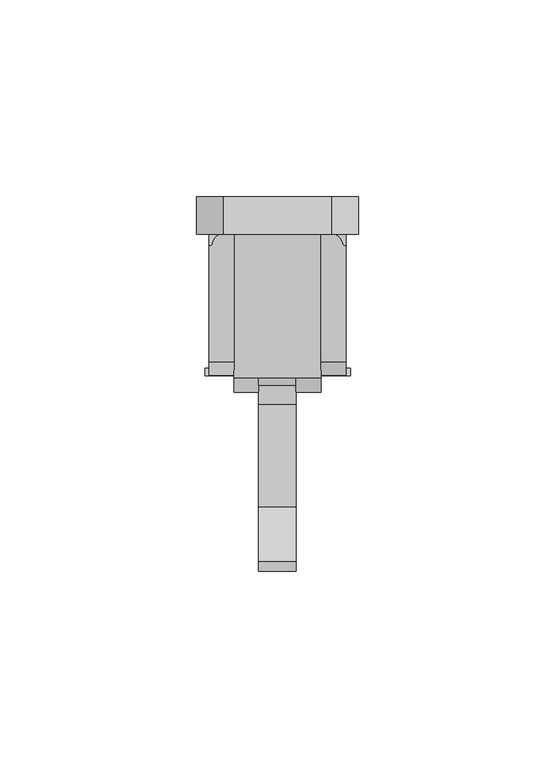
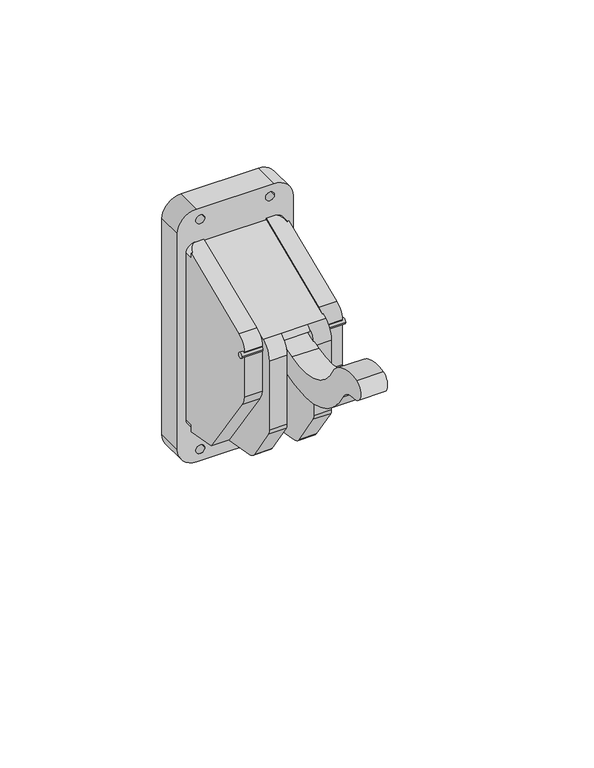
"""IFC4 building model written with IfcOpenShell, lengths in millimetres: proxy geometry."""

from ifc_helpers import new_model, si_unit, point, frame, frame_2d, origin, place, context, project, spatial, polyline, circle_curve, ellipse_curve, trimmed, segment, composite_curve, outline, extrude, source, transform, mapped, element, save
from ifc_brep_helpers import plane_surface, cylinder_surface, advanced_brep


def generic_models_fd6d74a0(model_context):
    return source(origin(), model_context, "Body", "SolidModel", [
        extrude(outline(composite_curve([segment(trimmed(circle_curve(frame_2d((-35.1170752, 63.0835376)), 0.9707335), [point((-36.0878086, 63.0835376))], [point((-34.1463417, 63.0835376))], False, "CARTESIAN"), True, "CONTINUOUS"), segment(trimmed(circle_curve(frame_2d((-35.1170752, 63.0835376)), 0.9707335), [point((-34.1463417, 63.0835376))], [point((-36.0878086, 63.0835376))], False, "CARTESIAN"), True, "CONTINUOUS")], self_intersect=False)), frame((-18.4728293, 0.0, 0.0), z_axis=(1.0, 0.0, 0.0), x_axis=(0.0, 1.0, 0.0)), (0.0, 0.0, 1.0), 37.0398824),
        advanced_brep(
        [(11.1125, -32.5081913, 69.2297236), (11.1125, 0.0, 83.0286322), (11.1125, 0.0, 13.9345498), (11.1125, -15.4604364, 16.6606419), (11.1125, -34.4017394, 43.711626), (11.1125, -35.9861794, 47.4443329), (11.1125, -35.9861794, 64.3908472), (17.4625, -15.4604364, 16.6606419), (17.4625, -3.0130184, 14.4658263), (17.4625, -3.0130184, 17.1095498), (17.4625, 0.0, 17.1095498), (17.4625, 0.0, 79.8536322), (17.4625, -3.0130184, 79.8536322), (17.4625, -3.0130184, 81.7496817), (17.4625, -32.5081913, 69.2297236), (17.4625, -35.9861794, 64.3908472), (17.4625, -35.9861794, 47.4443329), (17.4625, -34.4017394, 43.711626), (16.8341883, -3.0130184, 81.7496817), (14.2875, 0.0, 83.0286322), (14.2875, 0.0, 13.9345498), (16.0457237, -3.0130184, 14.4658263)],
        [
            (0, 1),
            (1, 2),
            (2, 3),
            (3, 4),
            (4, 5, circle_curve(frame((11.1125, -26.413457, 49.3050816), z_axis=(-1.0, 0.0, 0.0), x_axis=(0.0, 1.0, 0.0)), 9.7518922)),
            (5, 6),
            (6, 0, circle_curve(frame((11.1125, -30.8810547, 64.3908472), z_axis=(-1.0, 0.0, 0.0), x_axis=(0.0, 1.0, 0.0)), 5.1051248)),
            (7, 8),
            (8, 9),
            (9, 10),
            (10, 11),
            (11, 12),
            (12, 13),
            (13, 14),
            (14, 15, circle_curve(frame((17.4625, -30.8810547, 64.3908472), z_axis=(1.0, 0.0, 0.0), x_axis=(0.0, 1.0, 0.0)), 5.1051248)),
            (15, 16),
            (16, 17, circle_curve(frame((17.4625, -26.413457, 49.3050816), z_axis=(1.0, 0.0, 0.0), x_axis=(0.0, 1.0, 0.0)), 9.7518922)),
            (17, 7),
            (0, 14),
            (13, 18),
            (18, 19, ellipse_curve(frame((14.2875, -7.4798313, 79.8536322), z_axis=(0.0, -0.3907311284892765, 0.9205048534524392), x_axis=(0.0, -0.9205048534524393, -0.3907311284892765)), 8.1257923, 3.175)),
            (19, 1),
            (19, 11, circle_curve(frame((14.2875, 0.0, 79.8536322), z_axis=(0.0, 1.0, 0.0), x_axis=(1.0, 0.0, 0.0)), 3.175)),
            (10, 20, circle_curve(frame((14.2875, 0.0, 17.1095498), z_axis=(0.0, 1.0, 0.0), x_axis=(1.0, 0.0, 0.0)), 3.175)),
            (20, 2),
            (20, 21, ellipse_curve(frame((14.2875, -18.0063198, 17.1095498), z_axis=(0.0, -0.1736481776669298, -0.9848077530122082), x_axis=(0.0, -0.9848077530122082, 0.17364817766692983)), 18.2840963, 3.175)),
            (21, 8),
            (7, 3),
            (17, 4),
            (16, 5),
            (15, 6),
            (21, 9, circle_curve(frame((14.2875, -3.0130184, 17.1095498), z_axis=(0.0, -1.0, 0.0), x_axis=(1.0, 0.0, 0.0)), 3.175)),
            (12, 18, circle_curve(frame((14.2875, -3.0130184, 79.8536322), z_axis=(0.0, -1.0, 0.0), x_axis=(1.0, 0.0, 0.0)), 3.175)),
        ],
        [
            plane_surface(frame((11.1125, -25.7759299, 64.3908472), z_axis=(-1.0, 0.0, 0.0), x_axis=(0.0, 0.0, 1.0))),
            plane_surface(frame((17.4625, -25.7759299, 64.3908472), z_axis=(1.0, 0.0, 0.0), x_axis=(0.0, 0.0, -1.0))),
            plane_surface(frame((11.1125, 0.0, 83.0286322), z_axis=(0.0, -0.3907311284892765, 0.9205048534524392), x_axis=(1.0, 0.0, 0.0))),
            plane_surface(frame((11.1125, 0.0, 13.9345498), z_axis=(0.0, 1.0, 0.0), x_axis=(1.0, 0.0, 0.0))),
            plane_surface(frame((11.1125, -15.4604364, 16.6606419), z_axis=(0.0, -0.1736481776669298, -0.9848077530122082), x_axis=(1.0, 0.0, 0.0))),
            plane_surface(frame((11.1125, -34.4017394, 43.711626), z_axis=(0.0, -0.8191520442889915, -0.5735764363510466), x_axis=(1.0, 0.0, 0.0))),
            cylinder_surface(frame((17.4625, -26.413457, 49.3050816), z_axis=(-1.0, 0.0, 0.0), x_axis=(0.0, 1.0, 0.0)), 9.7518922),
            plane_surface(frame((11.1125, -35.9861794, 64.3908472), z_axis=(0.0, -1.0, 0.0), x_axis=(1.0, 0.0, 0.0))),
            cylinder_surface(frame((17.4625, -30.8810547, 64.3908472), z_axis=(-1.0, 0.0, 0.0), x_axis=(0.0, 1.0, 0.0)), 5.1051248),
            plane_surface(frame((-17.4625, -3.0130184, 83.0286322), z_axis=(0.0, 1.0, 0.0), x_axis=(0.0, 0.0, -1.0))),
            cylinder_surface(frame((14.2875, -3.0130184, 79.8536322), z_axis=(0.0, -1.0, 0.0), x_axis=(1.0, 0.0, 0.0)), 3.175),
            cylinder_surface(frame((14.2875, -3.0130184, 17.1095498), z_axis=(0.0, -1.0, 0.0), x_axis=(1.0, 0.0, 0.0)), 3.175),
        ],
        [
            (0, [[1, 2, 3, 4, 5, 6, 7]]),
            (1, [[8, 9, 10, 11, 12, 13, 14, 15, 16, 17, 18]]),
            (2, [[19, -14, 20, 21, 22, -1]]),
            (3, [[-22, 23, -11, 24, 25, -2]]),
            (4, [[-25, 26, 27, -8, 28, -3]]),
            (5, [[-28, -18, 29, -4]]),
            (6, [[-29, -17, 30, -5]]),
            (7, [[-30, -16, 31, -6]]),
            (8, [[-31, -15, -19, -7]]),
            (9, [[-9, -27, 32]]),
            (9, [[-20, -13, 33]]),
            (10, [[-12, -23, -21, -33]]),
            (11, [[-26, -24, -10, -32]]),
        ],
    ),
        advanced_brep(
        [(-11.1125, -32.5081913, 69.2297236), (-11.1125, -35.9861794, 64.3908472), (-11.1125, -35.9861794, 47.4443329), (-11.1125, -34.4017394, 43.711626), (-11.1125, -15.4604364, 16.6606419), (-11.1125, 0.0, 13.9345498), (-11.1125, 0.0, 83.0286322), (-17.4625, -32.5081913, 69.2297236), (-17.4625, -3.0130184, 81.7496817), (-17.4625, -3.0130184, 79.8536322), (-17.4625, 0.0, 79.8536322), (-17.4625, 0.0, 17.1095498), (-17.4625, -3.0130184, 17.1095498), (-17.4625, -3.0130184, 14.4658263), (-17.4625, -15.4604364, 16.6606419), (-17.4625, -34.4017394, 43.711626), (-17.4625, -35.9861794, 47.4443329), (-17.4625, -35.9861794, 64.3908472), (-14.2875, 0.0, 83.0286322), (-16.8341883, -3.0130184, 81.7496817), (-14.2875, 0.0, 13.9345498), (-16.0457237, -3.0130184, 14.4658263)],
        [
            (0, 1, circle_curve(frame((-11.1125, -30.8810547, 64.3908472), z_axis=(1.0, 0.0, 0.0), x_axis=(0.0, 1.0, 0.0)), 5.1051248)),
            (1, 2),
            (2, 3, circle_curve(frame((-11.1125, -26.413457, 49.3050816), z_axis=(1.0, 0.0, 0.0), x_axis=(0.0, 1.0, 0.0)), 9.7518922)),
            (3, 4),
            (4, 5),
            (5, 6),
            (6, 0),
            (7, 8),
            (8, 9),
            (9, 10),
            (10, 11),
            (11, 12),
            (12, 13),
            (13, 14),
            (14, 15),
            (15, 16, circle_curve(frame((-17.4625, -26.413457, 49.3050816), z_axis=(-1.0, 0.0, 0.0), x_axis=(0.0, 1.0, 0.0)), 9.7518922)),
            (16, 17),
            (17, 7, circle_curve(frame((-17.4625, -30.8810547, 64.3908472), z_axis=(-1.0, 0.0, 0.0), x_axis=(0.0, 1.0, 0.0)), 5.1051248)),
            (6, 18),
            (18, 19, ellipse_curve(frame((-14.2875, -7.4798313, 79.8536322), z_axis=(0.0, -0.39073112848927644, 0.9205048534524393), x_axis=(0.0, -0.9205048534524393, -0.3907311284892765)), 8.1257923, 3.175)),
            (19, 8),
            (7, 0),
            (5, 20),
            (20, 11, circle_curve(frame((-14.2875, 0.0, 17.1095498), z_axis=(0.0, 1.0, 0.0), x_axis=(1.0, 0.0, 0.0)), 3.175)),
            (10, 18, circle_curve(frame((-14.2875, 0.0, 79.8536322), z_axis=(0.0, 1.0, 0.0), x_axis=(1.0, 0.0, 0.0)), 3.175)),
            (4, 14),
            (13, 21),
            (21, 20, ellipse_curve(frame((-14.2875, -18.0063198, 17.1095498), z_axis=(0.0, -0.17364817766692947, -0.9848077530122082), x_axis=(0.0, -0.9848077530122081, 0.17364817766692944)), 18.2840963, 3.175)),
            (3, 15),
            (2, 16),
            (1, 17),
            (19, 9, circle_curve(frame((-14.2875, -3.0130184, 79.8536322), z_axis=(0.0, -1.0, 0.0), x_axis=(1.0, 0.0, 0.0)), 3.175)),
            (12, 21, circle_curve(frame((-14.2875, -3.0130184, 17.1095498), z_axis=(0.0, -1.0, 0.0), x_axis=(1.0, 0.0, 0.0)), 3.175)),
        ],
        [
            plane_surface(frame((-11.1125, 0.0, 83.0286322), z_axis=(1.0000000000000002, 0.0, 0.0), x_axis=(0.0, 0.9205048534524393, 0.39073112848927644))),
            plane_surface(frame((-17.4625, 0.0, 83.0286322), z_axis=(-1.0000000000000002, 0.0, 0.0), x_axis=(0.0, -0.9205048534524393, -0.39073112848927644))),
            plane_surface(frame((-11.1125, -32.5081913, 69.2297236), z_axis=(0.0, -0.39073112848927644, 0.9205048534524393), x_axis=(-1.0, 0.0, 0.0))),
            plane_surface(frame((-11.1125, 0.0, 83.0286322), z_axis=(0.0, 1.0, 0.0), x_axis=(-1.0, 0.0, 0.0))),
            plane_surface(frame((-11.1125, 0.0, 13.9345498), z_axis=(0.0, -0.17364817766692947, -0.9848077530122082), x_axis=(-1.0, 0.0, 0.0))),
            plane_surface(frame((-11.1125, -15.4604364, 16.6606419), z_axis=(0.0, -0.8191520442889915, -0.5735764363510466), x_axis=(-1.0, 0.0, 0.0))),
            cylinder_surface(frame((-17.4625, -26.413457, 49.3050816), z_axis=(1.0, 0.0, 0.0), x_axis=(0.0, 1.0, 0.0)), 9.7518922),
            plane_surface(frame((-11.1125, -35.9861794, 47.4443329), z_axis=(0.0, -1.0, 0.0), x_axis=(-1.0, 0.0, 0.0))),
            cylinder_surface(frame((-17.4625, -30.8810547, 64.3908472), z_axis=(1.0, 0.0, 0.0), x_axis=(0.0, 1.0, 0.0)), 5.1051248),
            plane_surface(frame((-17.4625, -3.0130184, 83.0286322), z_axis=(0.0, 1.0, 0.0), x_axis=(0.0, 0.0, -1.0))),
            cylinder_surface(frame((-14.2875, -3.0130184, 79.8536322), z_axis=(0.0, -1.0, 0.0), x_axis=(1.0, 0.0, 0.0)), 3.175),
            cylinder_surface(frame((-14.2875, -3.0130184, 17.1095498), z_axis=(0.0, -1.0, 0.0), x_axis=(1.0, 0.0, 0.0)), 3.175),
        ],
        [
            (0, [[1, 2, 3, 4, 5, 6, 7]]),
            (1, [[8, 9, 10, 11, 12, 13, 14, 15, 16, 17, 18]]),
            (2, [[19, 20, 21, -8, 22, -7]]),
            (3, [[23, 24, -11, 25, -19, -6]]),
            (4, [[26, -14, 27, 28, -23, -5]]),
            (5, [[29, -15, -26, -4]]),
            (6, [[30, -16, -29, -3]]),
            (7, [[31, -17, -30, -2]]),
            (8, [[-22, -18, -31, -1]]),
            (9, [[-9, -21, 32]]),
            (9, [[-27, -13, 33]]),
            (10, [[-20, -25, -10, -32]]),
            (11, [[-12, -24, -28, -33]]),
        ],
    ),
        extrude(outline(composite_curve([segment(polyline([(0.0, -13.7120612), (0.0, 13.7120612)]), True, "CONTINUOUS"), segment(trimmed(circle_curve(frame_2d((6.9254388, 13.7120612)), 6.9254388), [point((0.0, 13.7120612))], [point((6.9254388, 20.6375))], False, "CARTESIAN"), True, "CONTINUOUS"), segment(polyline([(6.9254388, 20.6375), (88.3245612, 20.6375)]), True, "CONTINUOUS"), segment(trimmed(circle_curve(frame_2d((88.3245612, 13.7120612)), 6.9254388), [point((88.3245612, 20.6375))], [point((95.25, 13.7120612))], False, "CARTESIAN"), True, "CONTINUOUS"), segment(polyline([(95.25, 13.7120612), (95.25, -13.7120612)]), True, "CONTINUOUS"), segment(trimmed(circle_curve(frame_2d((88.3245612, -13.7120612)), 6.9254388), [point((95.25, -13.7120612))], [point((88.3245612, -20.6375))], False, "CARTESIAN"), True, "CONTINUOUS"), segment(polyline([(88.3245612, -20.6375), (6.9254388, -20.6375)]), True, "CONTINUOUS"), segment(trimmed(circle_curve(frame_2d((6.9254388, -13.7120612)), 6.9254388), [point((6.9254388, -20.6375))], [point((0.0, -13.7120612))], False, "CARTESIAN"), True, "CONTINUOUS")], self_intersect=False), holes=[composite_curve([segment(trimmed(circle_curve(frame_2d((90.9605818, -12.4300447)), 1.5875), [point((90.9605818, -14.0175447))], [point((90.9605818, -10.8425447))], True, "CARTESIAN"), True, "CONTINUOUS"), segment(trimmed(circle_curve(frame_2d((90.9605818, -12.4300447)), 1.5875), [point((90.9605818, -10.8425447))], [point((90.9605818, -14.0175447))], True, "CARTESIAN"), True, "CONTINUOUS")], self_intersect=False), composite_curve([segment(trimmed(circle_curve(frame_2d((90.9605818, 12.4300447)), 1.5875), [point((90.9605818, 14.0175447))], [point((90.9605818, 10.8425447))], True, "CARTESIAN"), True, "CONTINUOUS"), segment(trimmed(circle_curve(frame_2d((90.9605818, 12.4300447)), 1.5875), [point((90.9605818, 10.8425447))], [point((90.9605818, 14.0175447))], True, "CARTESIAN"), True, "CONTINUOUS")], self_intersect=False), composite_curve([segment(trimmed(circle_curve(frame_2d((4.2894182, -12.4300447)), 1.5875), [point((4.2894182, -14.0175447))], [point((4.2894182, -10.8425447))], True, "CARTESIAN"), True, "CONTINUOUS"), segment(trimmed(circle_curve(frame_2d((4.2894182, -12.4300447)), 1.5875), [point((4.2894182, -10.8425447))], [point((4.2894182, -14.0175447))], True, "CARTESIAN"), True, "CONTINUOUS")], self_intersect=False), composite_curve([segment(trimmed(circle_curve(frame_2d((4.2894182, 12.4300447)), 1.5875), [point((4.2894182, 14.0175447))], [point((4.2894182, 10.8425447))], True, "CARTESIAN"), True, "CONTINUOUS"), segment(trimmed(circle_curve(frame_2d((4.2894182, 12.4300447)), 1.5875), [point((4.2894182, 10.8425447))], [point((4.2894182, 14.0175447))], True, "CARTESIAN"), True, "CONTINUOUS")], self_intersect=False)]), frame((0.0, 0.0, 0.0), z_axis=(0.0, 1.0, 0.0), x_axis=(0.0, 0.0, 1.0)), (0.0, 0.0, 1.0), 9.525),
        advanced_brep(
        [(4.7625, -40.266601, 61.4522466), (4.7625, -38.4648434, 66.0651514), (4.7625, 0.0, 66.0651514), (4.7625, 0.0, 13.9345498), (4.7625, -28.21823, 18.9101851), (4.7625, -30.9326891, 20.5222019), (4.7625, -39.7237953, 33.5555528), (4.7625, -40.266601, 35.3309903), (11.1125, -36.5789043, 67.5018085), (11.1125, -40.266601, 61.4522466), (11.1125, -40.266601, 35.3309903), (11.1125, -39.7237953, 33.5555528), (11.1125, -30.9326891, 20.5222019), (11.1125, -28.21823, 18.9101851), (11.1125, 0.0, 13.9345498), (11.1125, 0.0, 83.0286322), (-11.1125, 0.0, 83.0286322), (-11.1125, -36.5789043, 67.5018085), (-4.7625, -36.5789043, 67.5018085), (4.7625, -36.5789043, 67.5018085), (-4.7625, 0.0, 66.0651514), (-4.7625, 0.0, 13.9345498), (-11.1125, 0.0, 13.9345498), (-4.7625, -38.4648434, 66.0651514), (-4.7625, -40.266601, 61.4522466), (-4.7625, -40.266601, 35.3309903), (-4.7625, -39.7237953, 33.5555528), (-4.7625, -30.9326891, 20.5222019), (-4.7625, -28.21823, 18.9101851), (-11.1125, -28.21823, 18.9101851), (-11.1125, -30.9326891, 20.5222019), (-11.1125, -39.7237953, 33.5555528), (-11.1125, -40.266601, 35.3309903), (-11.1125, -40.266601, 61.4522466)],
        [
            (0, 1, circle_curve(frame((4.7625, -33.4606852, 61.4522466), z_axis=(-1.0, 0.0, 0.0), x_axis=(0.0, 1.0, 0.0)), 6.8059158)),
            (1, 2),
            (2, 3),
            (3, 4),
            (4, 5, circle_curve(frame((4.7625, -27.4429277, 23.3071428), z_axis=(-1.0, 0.0, 0.0), x_axis=(0.0, 1.0, 0.0)), 4.4647878)),
            (5, 6),
            (6, 7, circle_curve(frame((4.7625, -37.091601, 35.3309903), z_axis=(-1.0, 0.0, 0.0), x_axis=(0.0, 1.0, 0.0)), 3.175)),
            (7, 0),
            (8, 9, circle_curve(frame((11.1125, -33.4606852, 61.4522466), z_axis=(1.0, 0.0, 0.0), x_axis=(0.0, 1.0, 0.0)), 6.8059158)),
            (9, 10),
            (10, 11, circle_curve(frame((11.1125, -37.091601, 35.3309903), z_axis=(1.0, 0.0, 0.0), x_axis=(0.0, 1.0, 0.0)), 3.175)),
            (11, 12),
            (12, 13, circle_curve(frame((11.1125, -27.4429277, 23.3071428), z_axis=(1.0, 0.0, 0.0), x_axis=(0.0, 1.0, 0.0)), 4.4647878)),
            (13, 14),
            (14, 15),
            (15, 8),
            (15, 16),
            (16, 17),
            (17, 18),
            (18, 19),
            (19, 8),
            (14, 3),
            (2, 20),
            (20, 21),
            (21, 22),
            (22, 16),
            (13, 4),
            (12, 5),
            (11, 6),
            (10, 7),
            (9, 0),
            (19, 1, circle_curve(frame((4.7625, -33.4606852, 61.4522466), z_axis=(1.0, 0.0, 0.0), x_axis=(0.0, 1.0, 0.0)), 6.8059158)),
            (18, 23, circle_curve(frame((-4.7625, -33.4606852, 61.4522466), z_axis=(1.0, 0.0, 0.0), x_axis=(0.0, 1.0, 0.0)), 6.8059158)),
            (23, 1),
            (23, 20),
            (23, 24, circle_curve(frame((-4.7625, -33.4606852, 61.4522466), z_axis=(1.0, 0.0, 0.0), x_axis=(0.0, 1.0, 0.0)), 6.8059158)),
            (24, 25),
            (25, 26, circle_curve(frame((-4.7625, -37.091601, 35.3309903), z_axis=(1.0, 0.0, 0.0), x_axis=(0.0, 1.0, 0.0)), 3.175)),
            (26, 27),
            (27, 28, circle_curve(frame((-4.7625, -27.4429277, 23.3071428), z_axis=(1.0, 0.0, 0.0), x_axis=(0.0, 1.0, 0.0)), 4.4647878)),
            (28, 21),
            (22, 29),
            (29, 30, circle_curve(frame((-11.1125, -27.4429277, 23.3071428), z_axis=(-1.0, 0.0, 0.0), x_axis=(0.0, 1.0, 0.0)), 4.4647878)),
            (30, 31),
            (31, 32, circle_curve(frame((-11.1125, -37.091601, 35.3309903), z_axis=(-1.0, 0.0, 0.0), x_axis=(0.0, 1.0, 0.0)), 3.175)),
            (32, 33),
            (33, 17, circle_curve(frame((-11.1125, -33.4606852, 61.4522466), z_axis=(-1.0, 0.0, 0.0), x_axis=(0.0, 1.0, 0.0)), 6.8059158)),
            (28, 29),
            (27, 30),
            (26, 31),
            (25, 32),
            (24, 33),
        ],
        [
            plane_surface(frame((4.7625, -26.6547694, 61.4522466), z_axis=(-1.0, 0.0, 0.0), x_axis=(0.0, 0.0, 1.0))),
            plane_surface(frame((11.1125, -26.6547694, 61.4522466), z_axis=(1.0, 0.0, 0.0), x_axis=(0.0, 0.0, -1.0))),
            plane_surface(frame((4.7625, 0.0, 83.0286322), z_axis=(0.0, -0.3907311284892765, 0.9205048534524392), x_axis=(1.0, 0.0, 0.0))),
            plane_surface(frame((4.7625, 0.0, 13.9345498), z_axis=(0.0, 1.0, 0.0), x_axis=(1.0, 0.0, 0.0))),
            plane_surface(frame((4.7625, -28.21823, 18.9101851), z_axis=(0.0, -0.17364817766692997, -0.9848077530122081), x_axis=(1.0, 0.0, 0.0))),
            cylinder_surface(frame((11.1125, -27.4429277, 23.3071428), z_axis=(-1.0, 0.0, 0.0), x_axis=(0.0, 1.0, 0.0)), 4.4647878),
            plane_surface(frame((4.7625, -39.7237953, 33.5555528), z_axis=(0.0, -0.8290375725550413, -0.5591929034707476), x_axis=(1.0, 0.0, 0.0))),
            cylinder_surface(frame((11.1125, -37.091601, 35.3309903), z_axis=(-1.0, 0.0, 0.0), x_axis=(0.0, 1.0, 0.0)), 3.175),
            plane_surface(frame((4.7625, -40.266601, 61.4522466), z_axis=(0.0, -1.0, 0.0), x_axis=(1.0, 0.0, 0.0))),
            cylinder_surface(frame((11.1125, -33.4606852, 61.4522466), z_axis=(-1.0, 0.0, 0.0), x_axis=(0.0, 1.0, 0.0)), 6.8059158),
            cylinder_surface(frame((4.7625, -33.4606852, 61.4522466), z_axis=(-1.0, 0.0, 0.0), x_axis=(0.0, 1.0, 0.0)), 6.8059158),
            plane_surface(frame((-4.7625, -38.4648434, 66.0651514), z_axis=(0.0, 0.0, -1.0), x_axis=(1.0, 0.0, 0.0))),
            plane_surface(frame((-4.7625, 0.0, 83.0286322), z_axis=(1.0, 0.0, 0.0), x_axis=(0.0, 0.9205048534524392, 0.3907311284892765))),
            plane_surface(frame((-11.1125, 0.0, 83.0286322), z_axis=(-1.0, 0.0, 0.0), x_axis=(0.0, -0.9205048534524392, -0.3907311284892765))),
            plane_surface(frame((-4.7625, 0.0, 13.9345498), z_axis=(0.0, -0.17364817766692991, -0.9848077530122081), x_axis=(-1.0, 0.0, 0.0))),
            cylinder_surface(frame((-11.1125, -27.4429277, 23.3071428), z_axis=(1.0, 0.0, 0.0), x_axis=(0.0, 1.0, 0.0)), 4.4647878),
            plane_surface(frame((-4.7625, -30.9326891, 20.5222019), z_axis=(0.0, -0.8290375725550412, -0.5591929034707476), x_axis=(-1.0, 0.0, 0.0))),
            cylinder_surface(frame((-11.1125, -37.091601, 35.3309903), z_axis=(1.0, 0.0, 0.0), x_axis=(0.0, 1.0, 0.0)), 3.175),
            plane_surface(frame((-4.7625, -40.266601, 35.3309903), z_axis=(0.0, -1.0, 0.0), x_axis=(-1.0, 0.0, 0.0))),
            cylinder_surface(frame((-11.1125, -33.4606852, 61.4522466), z_axis=(1.0, 0.0, 0.0), x_axis=(0.0, 1.0, 0.0)), 6.8059158),
        ],
        [
            (0, [[1, 2, 3, 4, 5, 6, 7, 8]]),
            (1, [[9, 10, 11, 12, 13, 14, 15, 16]]),
            (2, [[17, 18, 19, 20, 21, -16]]),
            (3, [[22, -3, 23, 24, 25, 26, -17, -15]]),
            (4, [[-22, -14, 27, -4]]),
            (5, [[-27, -13, 28, -5]]),
            (6, [[-28, -12, 29, -6]]),
            (7, [[-29, -11, 30, -7]]),
            (8, [[-30, -10, 31, -8]]),
            (9, [[-21, 32, -1, -31, -9]]),
            (10, [[33, 34, -32, -20]]),
            (11, [[-2, -34, 35, -23]]),
            (12, [[-24, -35, 36, 37, 38, 39, 40, 41]]),
            (13, [[-18, -26, 42, 43, 44, 45, 46, 47]]),
            (14, [[48, -42, -25, -41]]),
            (15, [[49, -43, -48, -40]]),
            (16, [[50, -44, -49, -39]]),
            (17, [[51, -45, -50, -38]]),
            (18, [[52, -46, -51, -37]]),
            (19, [[-52, -36, -33, -19, -47]]),
        ],
    ),
        extrude(outline(composite_curve([segment(trimmed(circle_curve(frame_2d((-49.3161913, 94.1807777)), 32.0719715), [point((-43.3330082, 62.6718445))], [point((-35.3218956, 65.3230051))], True, "CARTESIAN"), True, "CONTINUOUS"), segment(trimmed(circle_curve(frame_2d((-33.4936687, 61.5530009)), 4.18991), [point((-35.3218956, 65.3230051))], [point((-31.734412, 57.7503227))], False, "CARTESIAN"), True, "CONTINUOUS"), segment(trimmed(circle_curve(frame_2d((-51.3773798, 92.740855)), 40.1270923), [point((-31.734412, 57.7503227))], [point((-51.9818537, 52.6183159))], False, "CARTESIAN"), True, "CONTINUOUS"), segment(trimmed(circle_curve(frame_2d((-51.5864301, 78.8649383)), 26.249601), [point((-51.9818537, 52.6183159))], [point((-74.7159984, 66.4526613))], False, "CARTESIAN"), True, "CONTINUOUS"), segment(trimmed(circle_curve(frame_2d((-81.000528, 63.0801245)), 7.1322728), [point((-74.7159984, 66.4526613))], [point((-81.4707478, 70.19688))], True, "CARTESIAN"), True, "CONTINUOUS"), segment(trimmed(circle_curve(frame_2d((-81.7397794, 74.2686622)), 4.0806602), [point((-81.4707478, 70.19688))], [point((-83.3659403, 78.0113068))], False, "CARTESIAN"), True, "CONTINUOUS"), segment(trimmed(circle_curve(frame_2d((-79.9981502, 64.1249344)), 14.288924), [point((-83.3659403, 78.0113068))], [point((-69.4409647, 73.7540146))], False, "CARTESIAN"), True, "CONTINUOUS"), segment(trimmed(circle_curve(frame_2d((-50.0821893, 83.066101)), 21.482019), [point((-69.4409647, 73.7540146))], [point((-43.3330082, 62.6718445))], True, "CARTESIAN"), True, "CONTINUOUS")], self_intersect=False)), frame((-4.7625, 0.0, 0.0), z_axis=(1.0, 0.0, 0.0), x_axis=(0.0, 1.0, 0.0)), (0.0, 0.0, 1.0), 9.525),
    ])


if __name__ == "__main__":
    model = new_model("IFC4")
    model_context = context("Model", 3, world=origin())
    ifc_project = project(units=[si_unit("LENGTHUNIT", "METRE", prefix="MILLI")], contexts=[model_context])
    site = spatial("IfcSite", under=ifc_project)
    building = spatial("IfcBuilding", under=site)
    placement = place(None, origin())
    generic_models_shape = generic_models_fd6d74a0(model_context)
    element("IfcBuildingElementProxy", 1, Name="Generic Models", at=placement, inside=building, context=model_context, shape_type="MappedRepresentation", body=[
        mapped(generic_models_shape, transform((0.0, 0.0, 0.0), x_axis=(1.0, 0.0, 0.0), y_axis=(0.0, 1.0, 0.0), z_axis=(0.0, 0.0, 1.0))),
    ])
    save(model, "model.ifc")
